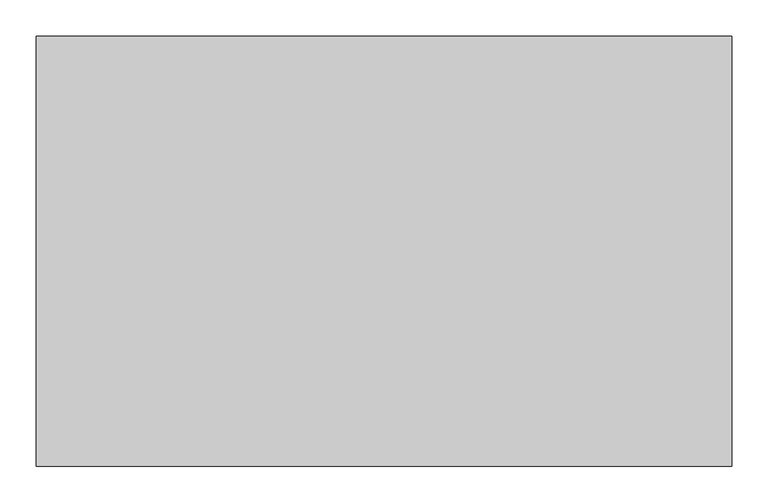
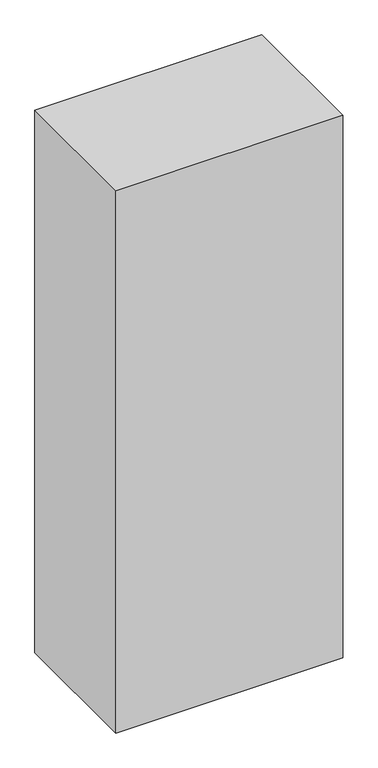
"""IFC4 building model written with IfcOpenShell, lengths in millimetres: proxy geometry."""

from ifc_helpers import new_model, si_unit, origin, origin_with_axes, place, context, project, spatial, polyline, outline, extrude, source, transform, mapped, element, save


def generic_models_432c11fc(model_context):
    return source(origin(), model_context, "Body", "SweptSolid", [
        extrude(outline(polyline([(457.2, -84.1375), (457.2, -153.9875), (-457.2, -153.9875), (-457.2, -84.1375), (457.2, -84.1375)])), origin_with_axes(), (0.0, 0.0, 1.0), 2408.2375),
        extrude(outline(polyline([(457.2, 34.925), (457.2, -34.925), (-457.2, -34.925), (-457.2, 34.925), (457.2, 34.925)])), origin_with_axes(), (0.0, 0.0, 1.0), 2408.2375),
        extrude(outline(polyline([(457.2, 153.9875), (457.2, 84.1375), (-457.2, 84.1375), (-457.2, 153.9875), (457.2, 153.9875)])), origin_with_axes(), (0.0, 0.0, 1.0), 2408.2375),
        extrude(outline(polyline([(457.2, -203.2), (457.2, -273.05), (-457.2, -273.05), (-457.2, -203.2), (457.2, -203.2)])), origin_with_axes(), (0.0, 0.0, 1.0), 2408.2375),
        extrude(outline(polyline([(457.2, 273.05), (457.2, 203.2), (-457.2, 203.2), (-457.2, 273.05), (457.2, 273.05)])), origin_with_axes(), (0.0, 0.0, 1.0), 2408.2375),
        extrude(outline(polyline([(482.6, 298.45), (482.6, -298.45), (-482.6, -298.45), (-482.6, 298.45), (482.6, 298.45)])), origin_with_axes(), (0.0, 0.0, 1.0), 2438.4),
    ])


if __name__ == "__main__":
    model = new_model("IFC4")
    model_context = context("Model", 3, world=origin())
    ifc_project = project(units=[si_unit("LENGTHUNIT", "METRE", prefix="MILLI")], contexts=[model_context])
    site = spatial("IfcSite", under=ifc_project)
    building = spatial("IfcBuilding", under=site)
    placement = place(None, origin())
    generic_models_shape = generic_models_432c11fc(model_context)
    element("IfcBuildingElementProxy", 1, Name="Generic Models", at=placement, inside=building, context=model_context, shape_type="MappedRepresentation", body=[
        mapped(generic_models_shape, transform((0.0, 0.0, 0.0), x_axis=(1.0, 0.0, 0.0), y_axis=(0.0, 1.0, 0.0), z_axis=(0.0, 0.0, 1.0))),
    ])
    save(model, "model.ifc")
